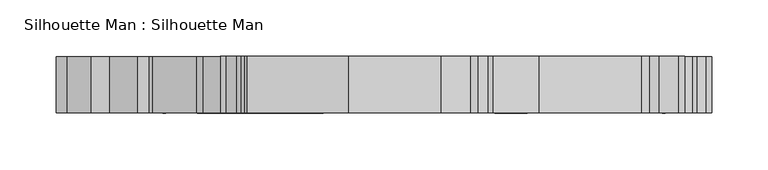
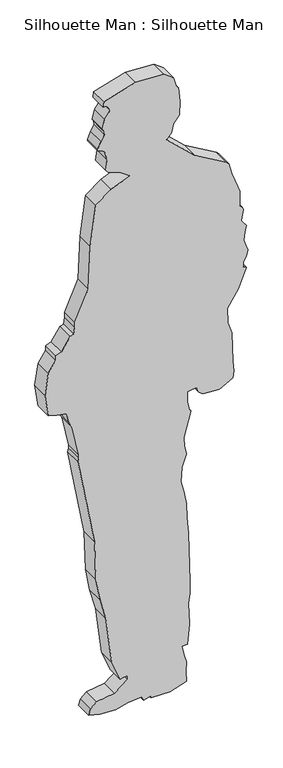
"""IFC4 building model written with IfcOpenShell, lengths in millimetres: proxy geometry, Silhouette Man : Silhouette Man."""

from ifc_helpers import new_model, si_unit, frame, origin, place, context, project, spatial, polyline, outline, extrude, source, transform, mapped, element, save


def silhouette_man_silhouette_man_3e6e6781(model_context):
    return source(origin(), model_context, "Body", "SweptSolid", [
        extrude(outline(polyline([(1175.2362338, -206.0139024), (1172.6480433, -215.6731607), (1134.0275282, -240.7183074), (1128.1401565, -256.8937283), (1114.4585755, -256.8937283), (1083.1121124, -278.8427581), (1018.7446879, -287.8890097), (954.3772634, -278.8427581), (946.8486191, -254.2176722), (941.265023, -225.4925601), (913.4994482, -219.5908049), (894.0548796, -209.6833024), (806.0215955, -190.9712502), (796.0215955, -190.9712502), (786.3623373, -193.5594407), (528.1005021, -146.4405427), (413.170557, -142.4271006), (347.4296234, -130.8352003), (285.8112575, -114.3246089), (146.8547963, -97.2629008), (86.5878457, -72.9134722), (89.5115628, -63.3504247), (89.5115628, -51.3019179), (79.5115628, -51.3019179), (50.9733025, -89.1734685), (42.8334596, -140.5664139), (28.1687231, -157.4362634), (10.2725072, -163.2510964), (2.4256592, -131.779108), (0.0, -85.4947729), (8.656327, -52.4327925), (13.07045, -10.4352169), (6.3102058, -8.3684028), (0.0, -6.4391793), (6.8732157, 16.0420963), (0.1995889, 16.0420963), (0.1995889, 69.8353458), (14.4535974, 116.4581069), (43.8214277, 115.9454895), (73.8031525, 116.9924744), (97.4411169, 108.8532705), (125.253917, 103.9491235), (125.253917, 119.8962557), (185.0255989, 125.1256002), (248.6314214, 122.904436), (276.3178992, 127.2895432), (312.8595928, 126.0134792), (459.8419291, 122.6944928), (509.651664, 118.3367057), (549.6272971, 116.9407258), (588.8923844, 109.308366), (622.8527349, 100.8410997), (664.3951862, 104.4755932), (700.8220764, 116.3114073), (725.3627559, 111.5411824), (754.1971208, 110.0300374), (826.6415578, 129.4414657), (830.1770917, 125.9059318), (857.7006599, 119.5516154), (887.7006599, 119.5516154), (889.8011369, 131.4640126), (891.004818, 145.2221502), (875.0687452, 152.6532629), (865.4269311, 164.1439296), (862.9833387, 210.7704491), (884.2023418, 249.050544), (905.2970831, 251.6406525), (936.3249213, 248.9260684), (1021.2731416, 245.9596112), (1054.5601196, 235.1440164), (1099.5327068, 233.573539), (1148.0581178, 265.0863094), (1203.689149, 287.562705), (1209.4249134, 279.3711845), (1224.4249134, 279.3711845), (1236.7121941, 287.9748311), (1254.7963628, 292.8204695), (1271.4212734, 286.7694969), (1288.8976549, 280.4086142), (1310.6905196, 284.2512843), (1330.3866746, 287.7242478), (1341.4262958, 279.9942219), (1349.6178162, 274.2584575), (1365.8192738, 277.1152116), (1380.5913901, 279.7199343), (1389.9271944, 276.1362548), (1396.9982622, 269.065187), (1441.9982622, 269.065187), (1456.0019686, 263.6896677), (1500.5147633, 246.6028067), (1534.4751137, 238.1355404), (1541.5461815, 231.0644726), (1594.0461815, 140.1318052), (1669.0660012, 59.682898), (1684.9554315, 73.495369), (1710.1961181, 78.8604426), (1731.5158887, 97.3934364), (1771.4915218, 98.7894163), (1814.3166086, 94.2883183), (1824.4290366, 86.0994355), (1849.1738632, 79.4690792), (1868.3904442, 53.0197246), (1873.3376263, -28.8941944), (1846.5013143, -119.3004903), (1830.4384073, -120.9887699), (1830.4384073, -110.9887699), (1823.8300715, -105.4437178), (1814.558233, -101.6976518), (1792.2208484, -117.3384569), (1763.9847354, -123.8572772), (1758.2105211, -119.8141288), (1746.9342196, -118.0281381), (1729.6137115, -128.0281381), (1709.3157779, -137.49322), (1705.2392229, -137.49322), (1702.149053, -127.9826548), (1694.0066319, -117.177297), (1667.0378338, -109.9510293), (1637.2953105, -113.8730578), (1629.3089554, -107.8549076), (1618.4933606, -74.5679295), (1596.2450263, -45.0433927), (1575.5996324, -98.8264825), (1542.4998061, -142.7514355), (1424.2294629, -158.3472763), (1296.7192073, -163.9009577), (1209.9323888, -202.5409388), (1194.9323888, -202.5409388), (1175.2362338, -206.0139024)])), frame((0.0, -50.0, 0.0), z_axis=(0.0, 1.0, 0.0), x_axis=(0.0, 0.0, 1.0)), (0.0, 0.0, 1.0), 50.0),
    ])


if __name__ == "__main__":
    model = new_model("IFC4")
    model_context = context("Model", 3, world=origin())
    ifc_project = project(units=[si_unit("LENGTHUNIT", "METRE", prefix="MILLI")], contexts=[model_context])
    site = spatial("IfcSite", under=ifc_project)
    building = spatial("IfcBuilding", under=site)
    placement = place(None, origin())
    silhouette_man_silhouette_man_shape = silhouette_man_silhouette_man_3e6e6781(model_context)
    element("IfcBuildingElementProxy", 1, Name="Silhouette Man : Silhouette Man", ObjectType="Silhouette Man : Silhouette Man", at=placement, inside=building, context=model_context, shape_type="MappedRepresentation", body=[
        mapped(silhouette_man_silhouette_man_shape, transform((0.0, 0.0, 0.0), x_axis=(1.0, 0.0, 0.0), y_axis=(0.0, 1.0, 0.0), z_axis=(0.0, 0.0, 1.0))),
    ])
    save(model, "model.ifc")
